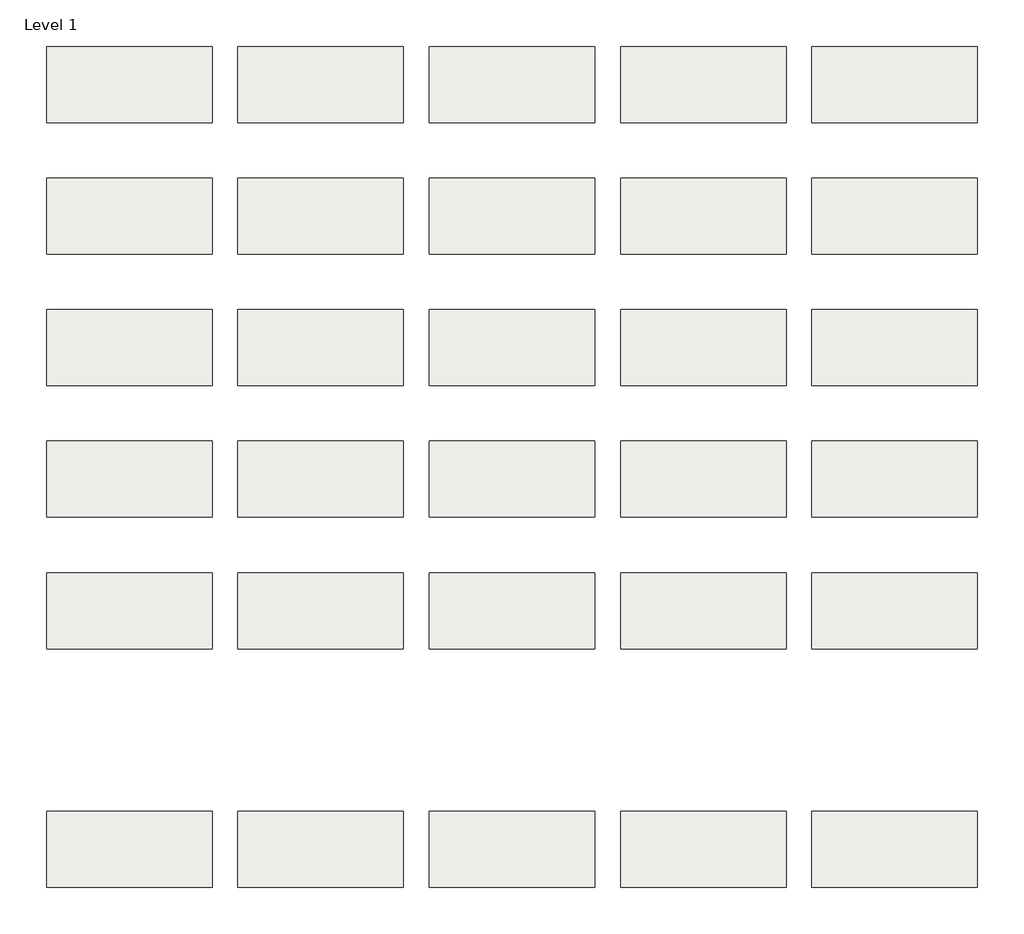
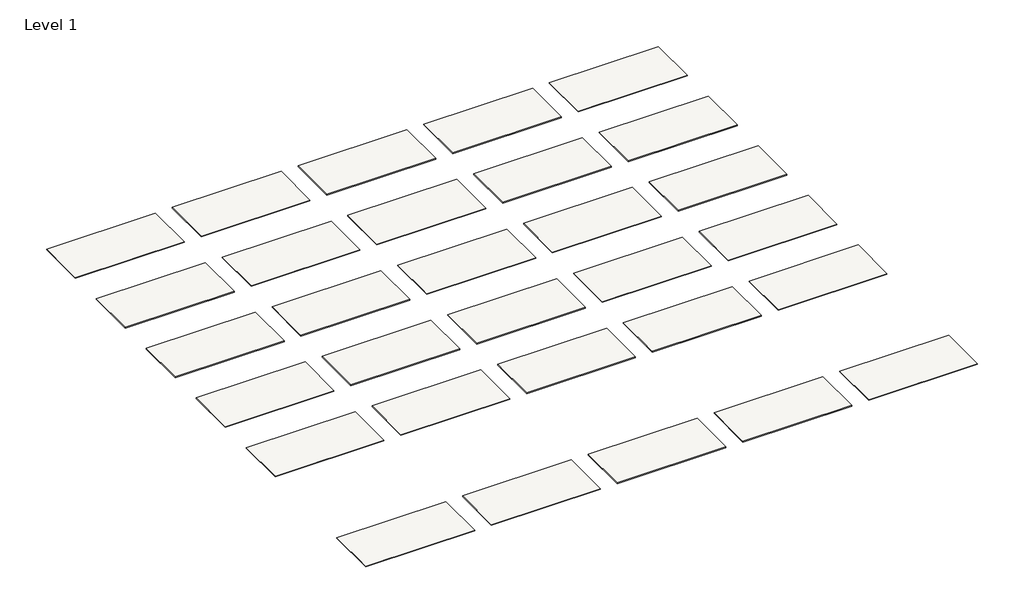
# One storey: 30 roofs.
"""IFC4 building model written with IfcOpenShell, lengths in millimetres."""

from ifc_helpers import new_model, si_unit, origin, origin_with_axes, place, context, project, spatial, polyline, outline, extrude, element, save

model = new_model("IFC4")

# Units and contexts
model_context = context("Model", 3, world=origin())
ifc_project = project(units=[si_unit("LENGTHUNIT", "METRE", prefix="MILLI")], contexts=[model_context])

# Site, building, storey
site = spatial("IfcSite", under=ifc_project)
building = spatial("IfcBuilding", under=site)
storey = spatial("IfcBuildingStorey", under=building, Name="Level 1", Elevation=0.0)

# Roofs
placement = place(None, origin())
element("IfcRoof", 1, at=placement, inside=storey, context=model_context, shape_type="SweptSolid", body=[
    extrude(outline(polyline([(-9725.8471173, -1370.5264682), (-6627.0471173, -1370.5264682), (-6627.0471173, -2792.9264682), (-9725.8471173, -2792.9264682), (-9725.8471173, -1370.5264682)])), origin_with_axes(), (0.0, 0.0, 1.0), 22.225),
])
element("IfcRoof", 2, at=placement, inside=storey, context=model_context, shape_type="SweptSolid", body=[
    extrude(outline(polyline([(-6144.4471173, -1370.5264682), (-3045.6471173, -1370.5264682), (-3045.6471173, -2792.9264682), (-6144.4471173, -2792.9264682), (-6144.4471173, -1370.5264682)])), origin_with_axes(), (0.0, 0.0, 1.0), 22.225),
])
element("IfcRoof", 3, at=placement, inside=storey, context=model_context, shape_type="SweptSolid", body=[
    extrude(outline(polyline([(-2563.0471173, -1370.5264682), (535.7528827, -1370.5264682), (535.7528827, -2792.9264682), (-2563.0471173, -2792.9264682), (-2563.0471173, -1370.5264682)])), origin_with_axes(), (0.0, 0.0, 1.0), 22.225),
])
element("IfcRoof", 4, at=placement, inside=storey, context=model_context, shape_type="SweptSolid", body=[
    extrude(outline(polyline([(1018.3528827, -1370.5264682), (4117.1528827, -1370.5264682), (4117.1528827, -2792.9264682), (1018.3528827, -2792.9264682), (1018.3528827, -1370.5264682)])), origin_with_axes(), (0.0, 0.0, 1.0), 22.225),
])
element("IfcRoof", 5, at=placement, inside=storey, context=model_context, shape_type="SweptSolid", body=[
    extrude(outline(polyline([(4599.7528827, -1370.5264682), (7698.5528827, -1370.5264682), (7698.5528827, -2792.9264682), (4599.7528827, -2792.9264682), (4599.7528827, -1370.5264682)])), origin_with_axes(), (0.0, 0.0, 1.0), 22.225),
])
element("IfcRoof", 6, at=placement, inside=storey, context=model_context, shape_type="SweptSolid", body=[
    extrude(outline(polyline([(-9725.8471173, 1093.2735318), (-6627.0471173, 1093.2735318), (-6627.0471173, -329.1264682), (-9725.8471173, -329.1264682), (-9725.8471173, 1093.2735318)])), origin_with_axes(), (0.0, 0.0, 1.0), 22.225),
])
element("IfcRoof", 7, at=placement, inside=storey, context=model_context, shape_type="SweptSolid", body=[
    extrude(outline(polyline([(-6144.4471173, 1093.2735318), (-3045.6471173, 1093.2735318), (-3045.6471173, -329.1264682), (-6144.4471173, -329.1264682), (-6144.4471173, 1093.2735318)])), origin_with_axes(), (0.0, 0.0, 1.0), 22.225),
])
element("IfcRoof", 8, at=placement, inside=storey, context=model_context, shape_type="SweptSolid", body=[
    extrude(outline(polyline([(-2563.0471173, 1093.2735318), (535.7528827, 1093.2735318), (535.7528827, -329.1264682), (-2563.0471173, -329.1264682), (-2563.0471173, 1093.2735318)])), origin_with_axes(), (0.0, 0.0, 1.0), 22.225),
])
element("IfcRoof", 9, at=placement, inside=storey, context=model_context, shape_type="SweptSolid", body=[
    extrude(outline(polyline([(1018.3528827, 1093.2735318), (4117.1528827, 1093.2735318), (4117.1528827, -329.1264682), (1018.3528827, -329.1264682), (1018.3528827, 1093.2735318)])), origin_with_axes(), (0.0, 0.0, 1.0), 22.225),
])
element("IfcRoof", 10, at=placement, inside=storey, context=model_context, shape_type="SweptSolid", body=[
    extrude(outline(polyline([(4599.7528827, 1093.2735318), (7698.5528827, 1093.2735318), (7698.5528827, -329.1264682), (4599.7528827, -329.1264682), (4599.7528827, 1093.2735318)])), origin_with_axes(), (0.0, 0.0, 1.0), 22.225),
])
element("IfcRoof", 11, at=placement, inside=storey, context=model_context, shape_type="SweptSolid", body=[
    extrude(outline(polyline([(-9725.8471173, 3557.0735318), (-6627.0471173, 3557.0735318), (-6627.0471173, 2134.6735318), (-9725.8471173, 2134.6735318), (-9725.8471173, 3557.0735318)])), origin_with_axes(), (0.0, 0.0, 1.0), 22.225),
])
element("IfcRoof", 12, at=placement, inside=storey, context=model_context, shape_type="SweptSolid", body=[
    extrude(outline(polyline([(-6144.4471173, 3557.0735318), (-3045.6471173, 3557.0735318), (-3045.6471173, 2134.6735318), (-6144.4471173, 2134.6735318), (-6144.4471173, 3557.0735318)])), origin_with_axes(), (0.0, 0.0, 1.0), 22.225),
])
element("IfcRoof", 13, at=placement, inside=storey, context=model_context, shape_type="SweptSolid", body=[
    extrude(outline(polyline([(-2563.0471173, 3557.0735318), (535.7528827, 3557.0735318), (535.7528827, 2134.6735318), (-2563.0471173, 2134.6735318), (-2563.0471173, 3557.0735318)])), origin_with_axes(), (0.0, 0.0, 1.0), 22.225),
])
element("IfcRoof", 14, at=placement, inside=storey, context=model_context, shape_type="SweptSolid", body=[
    extrude(outline(polyline([(1018.3528827, 3557.0735318), (4117.1528827, 3557.0735318), (4117.1528827, 2134.6735318), (1018.3528827, 2134.6735318), (1018.3528827, 3557.0735318)])), origin_with_axes(), (0.0, 0.0, 1.0), 22.225),
])
element("IfcRoof", 15, at=placement, inside=storey, context=model_context, shape_type="SweptSolid", body=[
    extrude(outline(polyline([(4599.7528827, 3557.0735318), (7698.5528827, 3557.0735318), (7698.5528827, 2134.6735318), (4599.7528827, 2134.6735318), (4599.7528827, 3557.0735318)])), origin_with_axes(), (0.0, 0.0, 1.0), 22.225),
])
element("IfcRoof", 16, at=placement, inside=storey, context=model_context, shape_type="SweptSolid", body=[
    extrude(outline(polyline([(-9725.8471173, 6020.8735318), (-6627.0471173, 6020.8735318), (-6627.0471173, 4598.4735318), (-9725.8471173, 4598.4735318), (-9725.8471173, 6020.8735318)])), origin_with_axes(), (0.0, 0.0, 1.0), 22.225),
])
element("IfcRoof", 17, at=placement, inside=storey, context=model_context, shape_type="SweptSolid", body=[
    extrude(outline(polyline([(-6144.4471173, 6020.8735318), (-3045.6471173, 6020.8735318), (-3045.6471173, 4598.4735318), (-6144.4471173, 4598.4735318), (-6144.4471173, 6020.8735318)])), origin_with_axes(), (0.0, 0.0, 1.0), 22.225),
])
element("IfcRoof", 18, at=placement, inside=storey, context=model_context, shape_type="SweptSolid", body=[
    extrude(outline(polyline([(-2563.0471173, 6020.8735318), (535.7528827, 6020.8735318), (535.7528827, 4598.4735318), (-2563.0471173, 4598.4735318), (-2563.0471173, 6020.8735318)])), origin_with_axes(), (0.0, 0.0, 1.0), 22.225),
])
element("IfcRoof", 19, at=placement, inside=storey, context=model_context, shape_type="SweptSolid", body=[
    extrude(outline(polyline([(1018.3528827, 6020.8735318), (4117.1528827, 6020.8735318), (4117.1528827, 4598.4735318), (1018.3528827, 4598.4735318), (1018.3528827, 6020.8735318)])), origin_with_axes(), (0.0, 0.0, 1.0), 22.225),
])
element("IfcRoof", 20, at=placement, inside=storey, context=model_context, shape_type="SweptSolid", body=[
    extrude(outline(polyline([(4599.7528827, 6020.8735318), (7698.5528827, 6020.8735318), (7698.5528827, 4598.4735318), (4599.7528827, 4598.4735318), (4599.7528827, 6020.8735318)])), origin_with_axes(), (0.0, 0.0, 1.0), 22.225),
])
element("IfcRoof", 21, at=placement, inside=storey, context=model_context, shape_type="SweptSolid", body=[
    extrude(outline(polyline([(-9725.8471173, 8484.6735318), (-6627.0471173, 8484.6735318), (-6627.0471173, 7062.2735318), (-9725.8471173, 7062.2735318), (-9725.8471173, 8484.6735318)])), origin_with_axes(), (0.0, 0.0, 1.0), 22.225),
])
element("IfcRoof", 22, at=placement, inside=storey, context=model_context, shape_type="SweptSolid", body=[
    extrude(outline(polyline([(-6144.4471173, 8484.6735318), (-3045.6471173, 8484.6735318), (-3045.6471173, 7062.2735318), (-6144.4471173, 7062.2735318), (-6144.4471173, 8484.6735318)])), origin_with_axes(), (0.0, 0.0, 1.0), 22.225),
])
element("IfcRoof", 23, at=placement, inside=storey, context=model_context, shape_type="SweptSolid", body=[
    extrude(outline(polyline([(-2563.0471173, 8484.6735318), (535.7528827, 8484.6735318), (535.7528827, 7062.2735318), (-2563.0471173, 7062.2735318), (-2563.0471173, 8484.6735318)])), origin_with_axes(), (0.0, 0.0, 1.0), 22.225),
])
element("IfcRoof", 24, at=placement, inside=storey, context=model_context, shape_type="SweptSolid", body=[
    extrude(outline(polyline([(1018.3528827, 8484.6735318), (4117.1528827, 8484.6735318), (4117.1528827, 7062.2735318), (1018.3528827, 7062.2735318), (1018.3528827, 8484.6735318)])), origin_with_axes(), (0.0, 0.0, 1.0), 22.225),
])
element("IfcRoof", 25, at=placement, inside=storey, context=model_context, shape_type="SweptSolid", body=[
    extrude(outline(polyline([(4599.7528827, 8484.6735318), (7698.5528827, 8484.6735318), (7698.5528827, 7062.2735318), (4599.7528827, 7062.2735318), (4599.7528827, 8484.6735318)])), origin_with_axes(), (0.0, 0.0, 1.0), 22.225),
])
element("IfcRoof", 26, at=placement, inside=storey, context=model_context, shape_type="SweptSolid", body=[
    extrude(outline(polyline([(-9725.8471173, -5840.9264682), (-6627.0471173, -5840.9264682), (-6627.0471173, -7263.3264682), (-9725.8471173, -7263.3264682), (-9725.8471173, -5840.9264682)])), origin_with_axes(), (0.0, 0.0, 1.0), 22.225),
])
element("IfcRoof", 27, at=placement, inside=storey, context=model_context, shape_type="SweptSolid", body=[
    extrude(outline(polyline([(-6144.4471173, -5840.9264682), (-3045.6471173, -5840.9264682), (-3045.6471173, -7263.3264682), (-6144.4471173, -7263.3264682), (-6144.4471173, -5840.9264682)])), origin_with_axes(), (0.0, 0.0, 1.0), 22.225),
])
element("IfcRoof", 28, at=placement, inside=storey, context=model_context, shape_type="SweptSolid", body=[
    extrude(outline(polyline([(-2563.0471173, -5840.9264682), (535.7528827, -5840.9264682), (535.7528827, -7263.3264682), (-2563.0471173, -7263.3264682), (-2563.0471173, -5840.9264682)])), origin_with_axes(), (0.0, 0.0, 1.0), 22.225),
])
element("IfcRoof", 29, at=placement, inside=storey, context=model_context, shape_type="SweptSolid", body=[
    extrude(outline(polyline([(1018.3528827, -5840.9264682), (4117.1528827, -5840.9264682), (4117.1528827, -7263.3264682), (1018.3528827, -7263.3264682), (1018.3528827, -5840.9264682)])), origin_with_axes(), (0.0, 0.0, 1.0), 22.225),
])
element("IfcRoof", 30, at=placement, inside=storey, context=model_context, shape_type="SweptSolid", body=[
    extrude(outline(polyline([(4599.7528827, -5840.9264682), (7698.5528827, -5840.9264682), (7698.5528827, -7263.3264682), (4599.7528827, -7263.3264682), (4599.7528827, -5840.9264682)])), origin_with_axes(), (0.0, 0.0, 1.0), 22.225),
])

save(model, "model.ifc")
